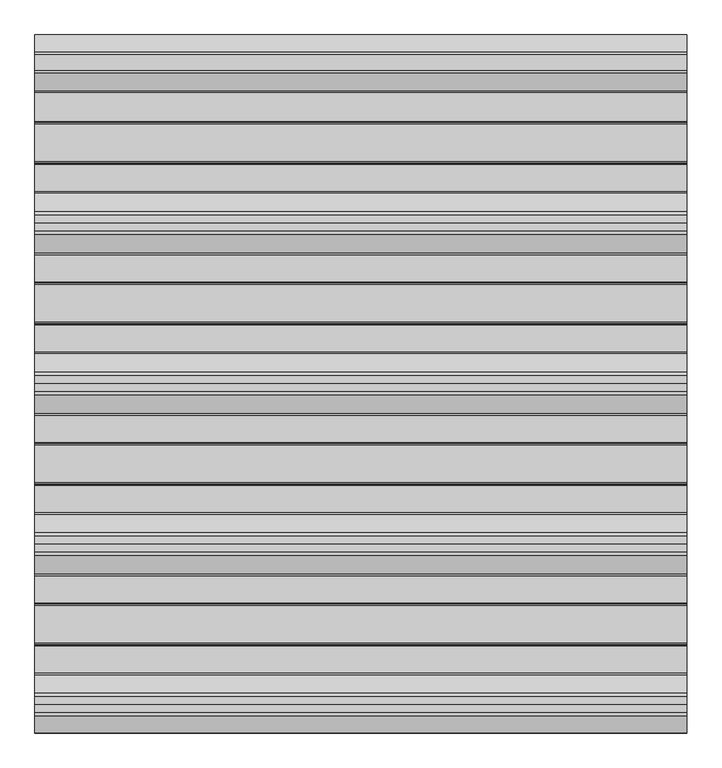
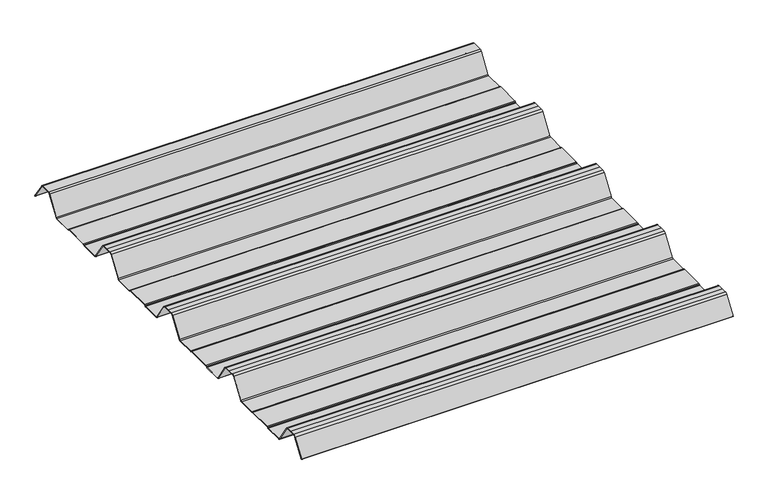
"""IFC4 building model written with IfcOpenShell, lengths in millimetres: beam geometry."""

import ifcopenshell
import ifcopenshell.guid

model = None  # the IFC model being written
_history = None  # IfcOwnerHistory: only IFC2X3 demands one
_inside = {}  # id of a spatial element -> (the spatial element, [elements in it])
_under = {}  # id of a project, library or spatial element -> (it, [spatial elements below it])
_declared = {}  # id of a project -> (the project, [libraries it declares])
_typed = {}  # id of a type object -> (the type object, [elements of that type])
_made_of = {}  # id of a material, layer set ... -> (it, [elements and type objects made of it])


def new_model(schema):
    """Start an empty IFC model of exactly this schema.

    Asked for "IFC4X3", IfcOpenShell would pick the latest addendum, in which some entities
    have other attributes; the version numbers below select the first issue.
    IFC2X3 requires an IfcOwnerHistory on every rooted entity: one is made here for all.
    """
    global model, _history
    if schema == "IFC4X3":
        model = ifcopenshell.file(schema_version=(4, 3, 0, 0))
    else:
        model = ifcopenshell.file(schema=schema)
    _inside.clear()
    _under.clear()
    _declared.clear()
    _typed.clear()
    _made_of.clear()
    _history = None
    if model.schema == "IFC2X3":
        org = make("IfcOrganization", Name="unknown")
        user = make(
            "IfcPersonAndOrganization",
            ThePerson=make("IfcPerson", FamilyName="unknown"),
            TheOrganization=org,
        )
        app = make(
            "IfcApplication",
            ApplicationDeveloper=org,
            Version="unknown",
            ApplicationFullName="unknown",
            ApplicationIdentifier="unknown",
        )
        _history = make(
            "IfcOwnerHistory",
            OwningUser=user,
            OwningApplication=app,
            ChangeAction="ADDED",
            CreationDate=0,
        )
    return model


def make(cls, **values):
    """One entity of the class cls with the attributes given. An attribute that is None is left unset."""
    return model.create_entity(
        cls, **{name: value for name, value in values.items() if value is not None}
    )


def rooted(cls, **values):
    """An entity with a GlobalId (a new one), such as an element, a storey or a relation."""
    return make(cls, GlobalId=ifcopenshell.guid.new(), OwnerHistory=_history, **values)


def si_unit(unit_type, name, prefix=None):
    """IfcSIUnit, for example si_unit("LENGTHUNIT", "METRE", prefix="MILLI")."""
    return make("IfcSIUnit", UnitType=unit_type, Prefix=prefix, Name=name)


def assignment(units):
    """IfcUnitAssignment: the units of a project."""
    return None if units is None else make("IfcUnitAssignment", Units=units)


def point(xyz):
    """IfcCartesianPoint."""
    return None if xyz is None else make("IfcCartesianPoint", Coordinates=xyz)


def direction(xyz):
    """IfcDirection."""
    return None if xyz is None else make("IfcDirection", DirectionRatios=xyz)


def frame(location, z_axis=None, x_axis=None):
    """IfcAxis2Placement3D, a coordinate frame: its origin and axes. An axis left out is left unset."""
    return make(
        "IfcAxis2Placement3D",
        Location=point(location),
        Axis=direction(z_axis),
        RefDirection=direction(x_axis),
    )


def frame_2d(location, x_axis=None):
    """IfcAxis2Placement2D, a coordinate frame in the plane: its origin and x axis."""
    return make(
        "IfcAxis2Placement2D", Location=point(location), RefDirection=direction(x_axis)
    )


def origin():
    """The frame at (0, 0, 0) with its axes left unset."""
    return frame((0.0, 0.0, 0.0))


def place(relative_to, where):
    """IfcLocalPlacement: puts the frame where relative to a parent placement (None: the world)."""
    return make(
        "IfcLocalPlacement", PlacementRelTo=relative_to, RelativePlacement=where
    )


def context(
    kind, dimensions, precision=None, world=None, true_north=None, identifier=None
):
    """IfcGeometricRepresentationContext, for example the 3D "Model" context."""
    return make(
        "IfcGeometricRepresentationContext",
        ContextIdentifier=identifier,
        ContextType=kind,
        CoordinateSpaceDimension=dimensions,
        Precision=precision,
        WorldCoordinateSystem=world,
        TrueNorth=true_north,
    )


def project(units=None, contexts=None):
    """IfcProject with its units and contexts."""
    return rooted(
        "IfcProject",
        Name="project",
        RepresentationContexts=contexts,
        UnitsInContext=assignment(units),
    )


def spatial(cls, under=None, at=None, **own):
    """A site, building, storey or space (cls), placed at a placement, below another one or the project."""
    s = rooted(cls, ObjectPlacement=at, **own)
    if under is not None:
        _under.setdefault(under.id(), (under, []))[1].append(s)
    return s


def polyline(points):
    """IfcPolyline through the points."""
    return make("IfcPolyline", Points=[point(p) for p in points])


def circle_curve(where, radius):
    """IfcCircle in the frame where."""
    return make("IfcCircle", Position=where, Radius=radius)


def trimmed(basis, trim1, trim2, sense, master):
    """IfcTrimmedCurve: the piece of a basis curve between two trims."""
    return make(
        "IfcTrimmedCurve",
        BasisCurve=basis,
        Trim1=trim1,
        Trim2=trim2,
        SenseAgreement=sense,
        MasterRepresentation=master,
    )


def segment(curve, same_sense, transition):
    """IfcCompositeCurveSegment."""
    return make(
        "IfcCompositeCurveSegment",
        Transition=transition,
        SameSense=same_sense,
        ParentCurve=curve,
    )


def composite_curve(segments, self_intersect=None):
    """IfcCompositeCurve: segments joined end to end."""
    return make("IfcCompositeCurve", Segments=segments, SelfIntersect=self_intersect)


def outline(outer, holes=None, kind="AREA"):
    """IfcArbitraryClosedProfileDef: a profile drawn as a closed curve; with holes, ...WithVoids."""
    if holes is None:
        return make("IfcArbitraryClosedProfileDef", ProfileType=kind, OuterCurve=outer)
    return make(
        "IfcArbitraryProfileDefWithVoids",
        ProfileType=kind,
        OuterCurve=outer,
        InnerCurves=holes,
    )


def extrude(swept, where, along, depth):
    """IfcExtrudedAreaSolid: the profile swept, set in the frame where, extruded along a direction by depth."""
    return make(
        "IfcExtrudedAreaSolid",
        SweptArea=swept,
        Position=where,
        ExtrudedDirection=direction(along),
        Depth=depth,
    )


def shape(context_of_items, identifier, shape_type, items):
    """IfcShapeRepresentation: the items that make up one representation, for example the "Body"."""
    return make(
        "IfcShapeRepresentation",
        ContextOfItems=context_of_items,
        RepresentationIdentifier=identifier,
        RepresentationType=shape_type,
        Items=items,
    )


def source(mapping_origin, context_of_items, identifier, shape_type, items):
    """IfcRepresentationMap: a shape defined once, which mapped items show again and again."""
    return make(
        "IfcRepresentationMap",
        MappingOrigin=mapping_origin,
        MappedRepresentation=shape(context_of_items, identifier, shape_type, items),
    )


def transform(
    local_origin,
    x_axis=None,
    y_axis=None,
    z_axis=None,
    scale=None,
    scale2=None,
    scale3=None,
    uniform=True,
):
    """IfcCartesianTransformationOperator3D, or its non-uniform kind. x_axis, y_axis, z_axis: its Axis1, 2, 3."""
    if uniform:
        return make(
            "IfcCartesianTransformationOperator3D",
            Axis1=direction(x_axis),
            Axis2=direction(y_axis),
            LocalOrigin=point(local_origin),
            Scale=scale,
            Axis3=direction(z_axis),
        )
    return make(
        "IfcCartesianTransformationOperator3DnonUniform",
        Axis1=direction(x_axis),
        Axis2=direction(y_axis),
        LocalOrigin=point(local_origin),
        Scale=scale,
        Axis3=direction(z_axis),
        Scale2=scale2,
        Scale3=scale3,
    )


def mapped(mapping_source, mapping_target):
    """IfcMappedItem: shows the shape of a source again, moved by a transform."""
    return make(
        "IfcMappedItem", MappingSource=mapping_source, MappingTarget=mapping_target
    )


def made_of(thing, what):
    """Note that an element or type object is made of a material, layer set ...; save() writes the relation."""
    if what is not None:
        _made_of.setdefault(what.id(), (what, []))[1].append(thing)
    return thing


def element(
    cls,
    number,
    at=None,
    inside=None,
    cuts=None,
    type_object=None,
    material=None,
    context=None,
    identifier="Body",
    shape_type=None,
    held_by="IfcProductDefinitionShape",
    body=None,
    shapes=None,
    **own,
):
    """One element of the class cls, such as IfcWall. Its Tag is "e" and its number.

    at: its placement. inside: the storey or other place that contains it. cuts: it is an
    opening in that element (IfcRelVoidsElement). A single representation is given by context,
    identifier, shape_type and body (its items); several are given by shapes. held_by: the class
    of the entity that holds the representations. save() writes the other relations.
    """
    e = rooted(cls, Tag="e%d" % number, ObjectPlacement=at, **own)
    if body is not None:
        shapes = [shape(context, identifier, shape_type, body)]
    if shapes is not None:
        e.Representation = make(held_by, Representations=shapes)
    if inside is not None:
        _inside.setdefault(inside.id(), (inside, []))[1].append(e)
    if cuts is not None:
        rooted(
            "IfcRelVoidsElement", RelatingBuildingElement=cuts, RelatedOpeningElement=e
        )
    if type_object is not None:
        _typed.setdefault(type_object.id(), (type_object, []))[1].append(e)
    return made_of(e, material)


def aggregate(whole, parts):
    """IfcRelAggregates: a whole, such as a stair, and the parts it consists of."""
    return rooted("IfcRelAggregates", RelatingObject=whole, RelatedObjects=parts)


def save(model, path):
    """Write the relations noted so far, then the file.

    IfcRelAggregates (storeys below a building ...), IfcRelContainedInSpatialStructure (elements
    in a storey), IfcRelDefinesByType, IfcRelAssociatesMaterial and IfcRelDeclares: one each for
    every whole, place, type object, material and project.
    """
    for whole, parts in _under.values():
        aggregate(whole, parts)
    for where, things in _inside.values():
        rooted(
            "IfcRelContainedInSpatialStructure",
            RelatedElements=things,
            RelatingStructure=where,
        )
    for kind, things in _typed.values():
        rooted("IfcRelDefinesByType", RelatedObjects=things, RelatingType=kind)
    for what, things in _made_of.values():
        rooted("IfcRelAssociatesMaterial", RelatedObjects=things, RelatingMaterial=what)
    for by, libraries in _declared.values():
        rooted("IfcRelDeclares", RelatingContext=by, RelatedDefinitions=libraries)
    model.write(path)


def beam_089a7417(model_context):
    return source(origin(), model_context, "Body", "SweptSolid", [
        extrude(outline(composite_curve([segment(trimmed(circle_curve(frame_2d((-42.8221294, -22.7927378)), 1.9969096), [point((-42.8221294, -24.7896475))], [point((-41.1570881, -23.8951378))], True, "CARTESIAN"), True, "CONTINUOUS"), segment(polyline([(-41.1570881, -23.8951378), (-15.2135106, 15.2894853)]), True, "CONTINUOUS"), segment(trimmed(circle_curve(frame_2d((-11.5, 12.6603525)), 4.55), [point((-15.2135106, 15.2894853))], [point((-11.5, 17.2103525))], False, "CARTESIAN"), True, "CONTINUOUS"), segment(polyline([(-11.5, 17.2103525), (11.5, 17.2103525)]), True, "CONTINUOUS"), segment(trimmed(circle_curve(frame_2d((11.5, 12.6603525)), 4.55), [point((11.5, 17.2103525))], [point((15.2135106, 15.2894853))], False, "CARTESIAN"), True, "CONTINUOUS"), segment(polyline([(15.2135106, 15.2894853), (40.2177712, -22.4764137)]), True, "CONTINUOUS"), segment(trimmed(circle_curve(frame_2d((39.8008667, -22.7524402)), 0.5), [point((40.2177712, -22.4764137))], [point((39.3839622, -23.0284667))], False, "CARTESIAN"), True, "CONTINUOUS"), segment(polyline([(39.3839622, -23.0284667), (14.3888612, 14.7235977)]), True, "CONTINUOUS"), segment(trimmed(circle_curve(frame_2d((11.5, 12.6603525)), 3.55), [point((14.3888612, 14.7235977))], [point((11.5, 16.2103525))], True, "CARTESIAN"), True, "CONTINUOUS"), segment(polyline([(11.5, 16.2103525), (-11.5, 16.2103525)]), True, "CONTINUOUS"), segment(trimmed(circle_curve(frame_2d((-11.5, 12.6603525)), 3.55), [point((-11.5, 16.2103525))], [point((-14.3888612, 14.7235977))], True, "CARTESIAN"), True, "CONTINUOUS"), segment(polyline([(-14.3888612, 14.7235977), (-40.3232791, -24.4471908)]), True, "CONTINUOUS"), segment(trimmed(circle_curve(frame_2d((-42.8221294, -22.7927378)), 2.9969096), [point((-40.3232791, -24.4471908))], [point((-42.8221294, -25.7896475))], False, "CARTESIAN"), True, "CONTINUOUS"), segment(polyline([(-42.8221294, -25.7896475), (-85.388552, -25.7896475)]), True, "CONTINUOUS"), segment(trimmed(circle_curve(frame_2d((-85.388552, -24.3396475)), 1.45), [point((-85.388552, -25.7896475))], [point((-86.3205937, -25.4504122))], False, "CARTESIAN"), True, "CONTINUOUS"), segment(polyline([(-86.3205937, -25.4504122), (-87.5888326, -24.386234)]), True, "CONTINUOUS"), segment(trimmed(circle_curve(frame_2d((-89.2279412, -26.3396487)), 2.5500012), [point((-87.5888326, -24.386234))], [point((-89.2279412, -23.7896475))], True, "CARTESIAN"), True, "CONTINUOUS"), segment(polyline([(-89.2279412, -23.7896475), (-143.2720588, -23.7896475)]), True, "CONTINUOUS"), segment(trimmed(circle_curve(frame_2d((-143.2720588, -26.3396487)), 2.5500012), [point((-143.2720588, -23.7896475))], [point((-144.9111674, -24.386234))], True, "CARTESIAN"), True, "CONTINUOUS"), segment(polyline([(-144.9111674, -24.386234), (-146.1794063, -25.4504122)]), True, "CONTINUOUS"), segment(trimmed(circle_curve(frame_2d((-147.111448, -24.3396475)), 1.45), [point((-146.1794063, -25.4504122))], [point((-147.111448, -25.7896475))], False, "CARTESIAN"), True, "CONTINUOUS"), segment(polyline([(-147.111448, -25.7896475), (-186.4999995, -25.7896475)]), True, "CONTINUOUS"), segment(trimmed(circle_curve(frame_2d((-186.4999995, -21.3396478)), 4.4499996), [point((-186.4999995, -25.7896475))], [point((-190.1531515, -23.8807062))], False, "CARTESIAN"), True, "CONTINUOUS"), segment(polyline([(-190.1531515, -23.8807062), (-216.4608773, 15.8539187)]), True, "CONTINUOUS"), segment(trimmed(circle_curve(frame_2d((-221.0, 12.6603525)), 5.55), [point((-216.4608773, 15.8539187))], [point((-221.0, 18.2103525))], True, "CARTESIAN"), True, "CONTINUOUS"), segment(polyline([(-221.0, 18.2103525), (-232.5, 18.2103525), (-244.0, 18.2103525)]), True, "CONTINUOUS"), segment(trimmed(circle_curve(frame_2d((-244.0, 12.6603525)), 5.55), [point((-244.0, 18.2103525))], [point((-248.5391227, 15.8539187))], True, "CARTESIAN"), True, "CONTINUOUS"), segment(polyline([(-248.5391227, 15.8539187), (-274.8468485, -23.8807062)]), True, "CONTINUOUS"), segment(trimmed(circle_curve(frame_2d((-278.5000005, -21.3396478)), 4.4499996), [point((-274.8468485, -23.8807062))], [point((-278.5000005, -25.7896475))], False, "CARTESIAN"), True, "CONTINUOUS"), segment(polyline([(-278.5000005, -25.7896475), (-317.888552, -25.7896475)]), True, "CONTINUOUS"), segment(trimmed(circle_curve(frame_2d((-317.888552, -24.3396475)), 1.45), [point((-317.888552, -25.7896475))], [point((-318.8205937, -25.4504122))], False, "CARTESIAN"), True, "CONTINUOUS"), segment(polyline([(-318.8205937, -25.4504122), (-320.0888326, -24.386234)]), True, "CONTINUOUS"), segment(trimmed(circle_curve(frame_2d((-321.7279412, -26.3396487)), 2.5500012), [point((-320.0888326, -24.386234))], [point((-321.7279412, -23.7896475))], True, "CARTESIAN"), True, "CONTINUOUS"), segment(polyline([(-321.7279412, -23.7896475), (-375.7720588, -23.7896475)]), True, "CONTINUOUS"), segment(trimmed(circle_curve(frame_2d((-375.7720588, -26.3396487)), 2.5500012), [point((-375.7720588, -23.7896475))], [point((-377.4111674, -24.386234))], True, "CARTESIAN"), True, "CONTINUOUS"), segment(polyline([(-377.4111674, -24.386234), (-378.6794063, -25.4504122)]), True, "CONTINUOUS"), segment(trimmed(circle_curve(frame_2d((-379.611448, -24.3396475)), 1.45), [point((-378.6794063, -25.4504122))], [point((-379.611448, -25.7896475))], False, "CARTESIAN"), True, "CONTINUOUS"), segment(polyline([(-379.611448, -25.7896475), (-418.9999995, -25.7896475)]), True, "CONTINUOUS"), segment(trimmed(circle_curve(frame_2d((-418.9999995, -21.3396478)), 4.4499996), [point((-418.9999995, -25.7896475))], [point((-422.6531515, -23.8807062))], False, "CARTESIAN"), True, "CONTINUOUS"), segment(polyline([(-422.6531515, -23.8807062), (-448.9608773, 15.8539187)]), True, "CONTINUOUS"), segment(trimmed(circle_curve(frame_2d((-453.5, 12.6603525)), 5.55), [point((-448.9608773, 15.8539187))], [point((-453.5, 18.2103525))], True, "CARTESIAN"), True, "CONTINUOUS"), segment(polyline([(-453.5, 18.2103525), (-465.0, 18.2103525), (-476.5, 18.2103525)]), True, "CONTINUOUS"), segment(trimmed(circle_curve(frame_2d((-476.5, 12.6603525)), 5.55), [point((-476.5, 18.2103525))], [point((-481.0391227, 15.8539187))], True, "CARTESIAN"), True, "CONTINUOUS"), segment(polyline([(-481.0391227, 15.8539187), (-507.3468485, -23.8807062)]), True, "CONTINUOUS"), segment(trimmed(circle_curve(frame_2d((-511.0000005, -21.3396478)), 4.4499996), [point((-507.3468485, -23.8807062))], [point((-511.0000005, -25.7896475))], False, "CARTESIAN"), True, "CONTINUOUS"), segment(polyline([(-511.0000005, -25.7896475), (-550.388552, -25.7896475)]), True, "CONTINUOUS"), segment(trimmed(circle_curve(frame_2d((-550.388552, -24.3396475)), 1.45), [point((-550.388552, -25.7896475))], [point((-551.3205937, -25.4504122))], False, "CARTESIAN"), True, "CONTINUOUS"), segment(polyline([(-551.3205937, -25.4504122), (-552.5888326, -24.386234)]), True, "CONTINUOUS"), segment(trimmed(circle_curve(frame_2d((-554.2279412, -26.3396487)), 2.5500012), [point((-552.5888326, -24.386234))], [point((-554.2279412, -23.7896475))], True, "CARTESIAN"), True, "CONTINUOUS"), segment(polyline([(-554.2279412, -23.7896475), (-608.2720588, -23.7896475)]), True, "CONTINUOUS"), segment(trimmed(circle_curve(frame_2d((-608.2720588, -26.3396487)), 2.5500012), [point((-608.2720588, -23.7896475))], [point((-609.9111674, -24.386234))], True, "CARTESIAN"), True, "CONTINUOUS"), segment(polyline([(-609.9111674, -24.386234), (-611.1794063, -25.4504122)]), True, "CONTINUOUS"), segment(trimmed(circle_curve(frame_2d((-612.111448, -24.3396475)), 1.45), [point((-611.1794063, -25.4504122))], [point((-612.111448, -25.7896475))], False, "CARTESIAN"), True, "CONTINUOUS"), segment(polyline([(-612.111448, -25.7896475), (-651.4999995, -25.7896475)]), True, "CONTINUOUS"), segment(trimmed(circle_curve(frame_2d((-651.4999995, -21.3396478)), 4.4499996), [point((-651.4999995, -25.7896475))], [point((-655.1531515, -23.8807062))], False, "CARTESIAN"), True, "CONTINUOUS"), segment(polyline([(-655.1531515, -23.8807062), (-681.4608773, 15.8539187)]), True, "CONTINUOUS"), segment(trimmed(circle_curve(frame_2d((-686.0, 12.6603525)), 5.55), [point((-681.4608773, 15.8539187))], [point((-686.0, 18.2103525))], True, "CARTESIAN"), True, "CONTINUOUS"), segment(polyline([(-686.0, 18.2103525), (-697.5, 18.2103525), (-709.0, 18.2103525)]), True, "CONTINUOUS"), segment(trimmed(circle_curve(frame_2d((-709.0, 12.6603525)), 5.55), [point((-709.0, 18.2103525))], [point((-713.5391227, 15.8539187))], True, "CARTESIAN"), True, "CONTINUOUS"), segment(polyline([(-713.5391227, 15.8539187), (-739.8468485, -23.8807062)]), True, "CONTINUOUS"), segment(trimmed(circle_curve(frame_2d((-743.5000005, -21.3396478)), 4.4499996), [point((-739.8468485, -23.8807062))], [point((-743.5000005, -25.7896475))], False, "CARTESIAN"), True, "CONTINUOUS"), segment(polyline([(-743.5000005, -25.7896475), (-782.888552, -25.7896475)]), True, "CONTINUOUS"), segment(trimmed(circle_curve(frame_2d((-782.888552, -24.3396475)), 1.45), [point((-782.888552, -25.7896475))], [point((-783.8205937, -25.4504122))], False, "CARTESIAN"), True, "CONTINUOUS"), segment(polyline([(-783.8205937, -25.4504122), (-785.0888326, -24.386234)]), True, "CONTINUOUS"), segment(trimmed(circle_curve(frame_2d((-786.7279412, -26.3396487)), 2.5500012), [point((-785.0888326, -24.386234))], [point((-786.7279412, -23.7896475))], True, "CARTESIAN"), True, "CONTINUOUS"), segment(polyline([(-786.7279412, -23.7896475), (-840.7720588, -23.7896475)]), True, "CONTINUOUS"), segment(trimmed(circle_curve(frame_2d((-840.7720588, -26.3396487)), 2.5500012), [point((-840.7720588, -23.7896475))], [point((-842.4111674, -24.386234))], True, "CARTESIAN"), True, "CONTINUOUS"), segment(polyline([(-842.4111674, -24.386234), (-843.6794063, -25.4504122)]), True, "CONTINUOUS"), segment(trimmed(circle_curve(frame_2d((-844.611448, -24.3396475)), 1.45), [point((-843.6794063, -25.4504122))], [point((-844.611448, -25.7896475))], False, "CARTESIAN"), True, "CONTINUOUS"), segment(polyline([(-844.611448, -25.7896475), (-883.9999995, -25.7896475)]), True, "CONTINUOUS"), segment(trimmed(circle_curve(frame_2d((-883.9999995, -21.3396478)), 4.4499996), [point((-883.9999995, -25.7896475))], [point((-887.6531515, -23.8807062))], False, "CARTESIAN"), True, "CONTINUOUS"), segment(polyline([(-887.6531515, -23.8807062), (-913.9608773, 15.8539187)]), True, "CONTINUOUS"), segment(trimmed(circle_curve(frame_2d((-918.5, 12.6603525)), 5.55), [point((-913.9608773, 15.8539187))], [point((-918.5, 18.2103525))], True, "CARTESIAN"), True, "CONTINUOUS"), segment(polyline([(-918.5, 18.2103525), (-930.0, 18.2103525), (-941.5, 18.2103525)]), True, "CONTINUOUS"), segment(trimmed(circle_curve(frame_2d((-941.5, 12.6603525)), 5.55), [point((-941.5, 18.2103525))], [point((-946.0391227, 15.8539187))], True, "CARTESIAN"), True, "CONTINUOUS"), segment(polyline([(-946.0391227, 15.8539187), (-969.9715304, -20.2930766)]), True, "CONTINUOUS"), segment(trimmed(circle_curve(frame_2d((-970.3884349, -20.0170501)), 0.5), [point((-969.9715304, -20.2930766))], [point((-970.8053395, -19.7410236))], False, "CARTESIAN"), True, "CONTINUOUS"), segment(polyline([(-970.8053395, -19.7410236), (-946.8654458, 16.4172784)]), True, "CONTINUOUS"), segment(trimmed(circle_curve(frame_2d((-941.5, 12.6603525)), 6.55), [point((-946.8654458, 16.4172784))], [point((-941.5, 19.2103525))], False, "CARTESIAN"), True, "CONTINUOUS"), segment(polyline([(-941.5, 19.2103525), (-930.0, 19.2103525), (-918.5, 19.2103525)]), True, "CONTINUOUS"), segment(trimmed(circle_curve(frame_2d((-918.5, 12.6603525)), 6.55), [point((-918.5, 19.2103525))], [point((-913.1345542, 16.4172784))], False, "CARTESIAN"), True, "CONTINUOUS"), segment(polyline([(-913.1345542, 16.4172784), (-886.8260739, -23.3184861)]), True, "CONTINUOUS"), segment(trimmed(circle_curve(frame_2d((-883.9999995, -21.3396478)), 3.4499996), [point((-886.8260739, -23.3184861))], [point((-883.9999995, -24.7896475))], True, "CARTESIAN"), True, "CONTINUOUS"), segment(polyline([(-883.9999995, -24.7896475), (-844.8915726, -24.7896475)]), True, "CONTINUOUS"), segment(trimmed(circle_curve(frame_2d((-844.8915726, -23.5700111)), 1.2196364), [point((-844.8915726, -24.7896475))], [point((-844.1076057, -24.504307))], True, "CARTESIAN"), True, "CONTINUOUS"), segment(polyline([(-844.1076057, -24.504307), (-843.0539548, -23.6201894)]), True, "CONTINUOUS"), segment(trimmed(circle_curve(frame_2d((-840.7720588, -26.3396487)), 3.5500012), [point((-843.0539548, -23.6201894))], [point((-840.7720588, -22.7896475))], False, "CARTESIAN"), True, "CONTINUOUS"), segment(polyline([(-840.7720588, -22.7896475), (-786.7279412, -22.7896475)]), True, "CONTINUOUS"), segment(trimmed(circle_curve(frame_2d((-786.7279412, -26.3396487)), 3.5500012), [point((-786.7279412, -22.7896475))], [point((-784.4460452, -23.6201894))], False, "CARTESIAN"), True, "CONTINUOUS"), segment(polyline([(-784.4460452, -23.6201894), (-783.3923943, -24.504307)]), True, "CONTINUOUS"), segment(trimmed(circle_curve(frame_2d((-782.6084274, -23.5700111)), 1.2196364), [point((-783.3923943, -24.504307))], [point((-782.6084274, -24.7896475))], True, "CARTESIAN"), True, "CONTINUOUS"), segment(polyline([(-782.6084274, -24.7896475), (-743.5000005, -24.7896475)]), True, "CONTINUOUS"), segment(trimmed(circle_curve(frame_2d((-743.5000005, -21.3396478)), 3.4499996), [point((-743.5000005, -24.7896475))], [point((-740.6739261, -23.3184861))], True, "CARTESIAN"), True, "CONTINUOUS"), segment(polyline([(-740.6739261, -23.3184861), (-714.3654458, 16.4172784)]), True, "CONTINUOUS"), segment(trimmed(circle_curve(frame_2d((-709.0, 12.6603525)), 6.55), [point((-714.3654458, 16.4172784))], [point((-709.0, 19.2103525))], False, "CARTESIAN"), True, "CONTINUOUS"), segment(polyline([(-709.0, 19.2103525), (-697.5, 19.2103525), (-686.0, 19.2103525)]), True, "CONTINUOUS"), segment(trimmed(circle_curve(frame_2d((-686.0, 12.6603525)), 6.55), [point((-686.0, 19.2103525))], [point((-680.6345542, 16.4172784))], False, "CARTESIAN"), True, "CONTINUOUS"), segment(polyline([(-680.6345542, 16.4172784), (-654.3260739, -23.3184861)]), True, "CONTINUOUS"), segment(trimmed(circle_curve(frame_2d((-651.4999995, -21.3396478)), 3.4499996), [point((-654.3260739, -23.3184861))], [point((-651.4999995, -24.7896475))], True, "CARTESIAN"), True, "CONTINUOUS"), segment(polyline([(-651.4999995, -24.7896475), (-612.3915726, -24.7896475)]), True, "CONTINUOUS"), segment(trimmed(circle_curve(frame_2d((-612.3915726, -23.5700111)), 1.2196364), [point((-612.3915726, -24.7896475))], [point((-611.6076057, -24.504307))], True, "CARTESIAN"), True, "CONTINUOUS"), segment(polyline([(-611.6076057, -24.504307), (-610.5539548, -23.6201894)]), True, "CONTINUOUS"), segment(trimmed(circle_curve(frame_2d((-608.2720588, -26.3396487)), 3.5500012), [point((-610.5539548, -23.6201894))], [point((-608.2720588, -22.7896475))], False, "CARTESIAN"), True, "CONTINUOUS"), segment(polyline([(-608.2720588, -22.7896475), (-554.2279412, -22.7896475)]), True, "CONTINUOUS"), segment(trimmed(circle_curve(frame_2d((-554.2279412, -26.3396487)), 3.5500012), [point((-554.2279412, -22.7896475))], [point((-551.9460452, -23.6201894))], False, "CARTESIAN"), True, "CONTINUOUS"), segment(polyline([(-551.9460452, -23.6201894), (-550.8923943, -24.504307)]), True, "CONTINUOUS"), segment(trimmed(circle_curve(frame_2d((-550.1084274, -23.5700111)), 1.2196364), [point((-550.8923943, -24.504307))], [point((-550.1084274, -24.7896475))], True, "CARTESIAN"), True, "CONTINUOUS"), segment(polyline([(-550.1084274, -24.7896475), (-511.0000005, -24.7896475)]), True, "CONTINUOUS"), segment(trimmed(circle_curve(frame_2d((-511.0000005, -21.3396478)), 3.4499996), [point((-511.0000005, -24.7896475))], [point((-508.1739261, -23.3184861))], True, "CARTESIAN"), True, "CONTINUOUS"), segment(polyline([(-508.1739261, -23.3184861), (-481.8654458, 16.4172784)]), True, "CONTINUOUS"), segment(trimmed(circle_curve(frame_2d((-476.5, 12.6603525)), 6.55), [point((-481.8654458, 16.4172784))], [point((-476.5, 19.2103525))], False, "CARTESIAN"), True, "CONTINUOUS"), segment(polyline([(-476.5, 19.2103525), (-465.0, 19.2103525), (-453.5, 19.2103525)]), True, "CONTINUOUS"), segment(trimmed(circle_curve(frame_2d((-453.5, 12.6603525)), 6.55), [point((-453.5, 19.2103525))], [point((-448.1345542, 16.4172784))], False, "CARTESIAN"), True, "CONTINUOUS"), segment(polyline([(-448.1345542, 16.4172784), (-421.8260739, -23.3184861)]), True, "CONTINUOUS"), segment(trimmed(circle_curve(frame_2d((-418.9999995, -21.3396478)), 3.4499996), [point((-421.8260739, -23.3184861))], [point((-418.9999995, -24.7896475))], True, "CARTESIAN"), True, "CONTINUOUS"), segment(polyline([(-418.9999995, -24.7896475), (-379.8915726, -24.7896475)]), True, "CONTINUOUS"), segment(trimmed(circle_curve(frame_2d((-379.8915726, -23.5700111)), 1.2196364), [point((-379.8915726, -24.7896475))], [point((-379.1076057, -24.504307))], True, "CARTESIAN"), True, "CONTINUOUS"), segment(polyline([(-379.1076057, -24.504307), (-378.0539548, -23.6201894)]), True, "CONTINUOUS"), segment(trimmed(circle_curve(frame_2d((-375.7720588, -26.3396487)), 3.5500012), [point((-378.0539548, -23.6201894))], [point((-375.7720588, -22.7896475))], False, "CARTESIAN"), True, "CONTINUOUS"), segment(polyline([(-375.7720588, -22.7896475), (-321.7279412, -22.7896475)]), True, "CONTINUOUS"), segment(trimmed(circle_curve(frame_2d((-321.7279412, -26.3396487)), 3.5500012), [point((-321.7279412, -22.7896475))], [point((-319.4460452, -23.6201894))], False, "CARTESIAN"), True, "CONTINUOUS"), segment(polyline([(-319.4460452, -23.6201894), (-318.3923943, -24.504307)]), True, "CONTINUOUS"), segment(trimmed(circle_curve(frame_2d((-317.6084274, -23.5700111)), 1.2196364), [point((-318.3923943, -24.504307))], [point((-317.6084274, -24.7896475))], True, "CARTESIAN"), True, "CONTINUOUS"), segment(polyline([(-317.6084274, -24.7896475), (-278.5000005, -24.7896475)]), True, "CONTINUOUS"), segment(trimmed(circle_curve(frame_2d((-278.5000005, -21.3396478)), 3.4499996), [point((-278.5000005, -24.7896475))], [point((-275.6739261, -23.3184861))], True, "CARTESIAN"), True, "CONTINUOUS"), segment(polyline([(-275.6739261, -23.3184861), (-249.3654458, 16.4172784)]), True, "CONTINUOUS"), segment(trimmed(circle_curve(frame_2d((-244.0, 12.6603525)), 6.55), [point((-249.3654458, 16.4172784))], [point((-244.0, 19.2103525))], False, "CARTESIAN"), True, "CONTINUOUS"), segment(polyline([(-244.0, 19.2103525), (-232.5, 19.2103525), (-221.0, 19.2103525)]), True, "CONTINUOUS"), segment(trimmed(circle_curve(frame_2d((-221.0, 12.6603525)), 6.55), [point((-221.0, 19.2103525))], [point((-215.6345542, 16.4172784))], False, "CARTESIAN"), True, "CONTINUOUS"), segment(polyline([(-215.6345542, 16.4172784), (-189.3260739, -23.3184861)]), True, "CONTINUOUS"), segment(trimmed(circle_curve(frame_2d((-186.4999995, -21.3396478)), 3.4499996), [point((-189.3260739, -23.3184861))], [point((-186.4999995, -24.7896475))], True, "CARTESIAN"), True, "CONTINUOUS"), segment(polyline([(-186.4999995, -24.7896475), (-147.3915726, -24.7896475)]), True, "CONTINUOUS"), segment(trimmed(circle_curve(frame_2d((-147.3915726, -23.5700111)), 1.2196364), [point((-147.3915726, -24.7896475))], [point((-146.6076057, -24.504307))], True, "CARTESIAN"), True, "CONTINUOUS"), segment(polyline([(-146.6076057, -24.504307), (-145.5539548, -23.6201894)]), True, "CONTINUOUS"), segment(trimmed(circle_curve(frame_2d((-143.2720588, -26.3396487)), 3.5500012), [point((-145.5539548, -23.6201894))], [point((-143.2720588, -22.7896475))], False, "CARTESIAN"), True, "CONTINUOUS"), segment(polyline([(-143.2720588, -22.7896475), (-89.2279412, -22.7896475)]), True, "CONTINUOUS"), segment(trimmed(circle_curve(frame_2d((-89.2279412, -26.3396487)), 3.5500012), [point((-89.2279412, -22.7896475))], [point((-86.9460452, -23.6201894))], False, "CARTESIAN"), True, "CONTINUOUS"), segment(polyline([(-86.9460452, -23.6201894), (-85.8923943, -24.504307)]), True, "CONTINUOUS"), segment(trimmed(circle_curve(frame_2d((-85.1084274, -23.5700111)), 1.2196364), [point((-85.8923943, -24.504307))], [point((-85.1084274, -24.7896475))], True, "CARTESIAN"), True, "CONTINUOUS"), segment(polyline([(-85.1084274, -24.7896475), (-42.8221294, -24.7896475)]), True, "CONTINUOUS")], self_intersect=False)), frame((-472.502289, 0.0, 0.0), z_axis=(1.0, 0.0, 0.0), x_axis=(0.0, 1.0, 0.0)), (0.0, 0.0, 1.0), 945.004578),
    ])


if __name__ == "__main__":
    model = new_model("IFC4")
    model_context = context("Model", 3, world=origin())
    ifc_project = project(units=[si_unit("LENGTHUNIT", "METRE", prefix="MILLI")], contexts=[model_context])
    site = spatial("IfcSite", under=ifc_project)
    building = spatial("IfcBuilding", under=site)
    placement = place(None, origin())
    beam_shape = beam_089a7417(model_context)
    element("IfcBeam", 1, at=placement, inside=building, context=model_context, shape_type="MappedRepresentation", body=[
        mapped(beam_shape, transform((0.0, 0.0, 0.0), x_axis=(1.0, 0.0, 0.0), y_axis=(0.0, 1.0, 0.0), z_axis=(0.0, 0.0, 1.0))),
    ])
    save(model, "model.ifc")
